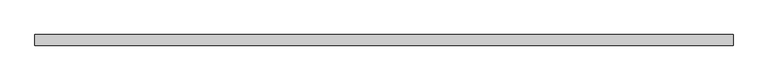
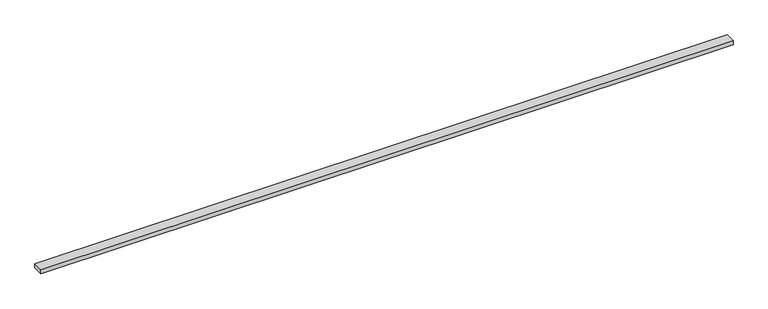
"""IFC4 building model written with IfcOpenShell, lengths in millimetres: beam geometry."""

from ifc_helpers import new_model, si_unit, frame, origin, place, context, project, spatial, polyline, outline, extrude, source, transform, mapped, element, save


def beam_cfd7fffb(model_context):
    return source(origin(), model_context, "Body", "SweptSolid", [
        extrude(outline(polyline([(-1479.0, 22.5), (1479.0, 22.5), (1479.0, -22.5), (-1479.0, -22.5), (-1479.0, 22.5)])), frame((0.0, 0.0, -9.0), z_axis=(0.0, 0.0, 1.0), x_axis=(1.0, 0.0, 0.0)), (0.0, 0.0, 1.0), 18.0),
    ])


if __name__ == "__main__":
    model = new_model("IFC4")
    model_context = context("Model", 3, world=origin())
    ifc_project = project(units=[si_unit("LENGTHUNIT", "METRE", prefix="MILLI")], contexts=[model_context])
    site = spatial("IfcSite", under=ifc_project)
    building = spatial("IfcBuilding", under=site)
    placement = place(None, origin())
    beam_shape = beam_cfd7fffb(model_context)
    element("IfcBeam", 1, at=placement, inside=building, context=model_context, shape_type="MappedRepresentation", body=[
        mapped(beam_shape, transform((0.0, 0.0, 0.0), x_axis=(1.0, 0.0, 0.0), y_axis=(0.0, 1.0, 0.0), z_axis=(0.0, 0.0, 1.0))),
    ])
    save(model, "model.ifc")
